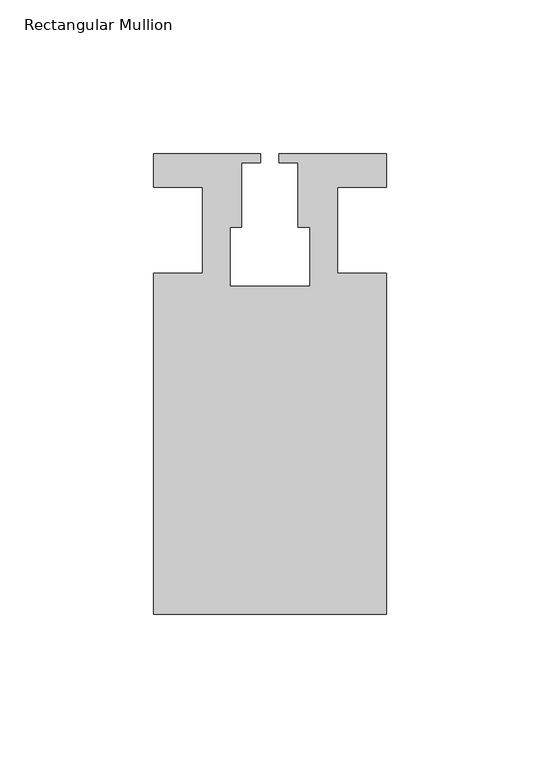
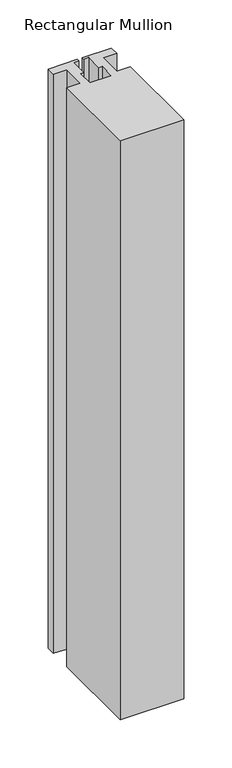
"""IFC4 building model written with IfcOpenShell, lengths in millimetres: member geometry, Rectangular Mullion."""

from ifc_helpers import new_model, si_unit, frame, origin, place, context, project, spatial, polyline, outline, extrude, source, transform, mapped, element, save


def rectangular_mullion_db453c8f(model_context):
    return source(origin(), model_context, "Body", "SweptSolid", [
        extrude(outline(polyline([(37.9999914, -124.9960123), (-37.9999896, -124.9960123), (-37.9999896, -13.9959029), (-21.9999633, -13.9959029), (-21.9999633, 14.0039877), (-37.9999896, 14.0039877), (-37.9999896, 25.0039877), (-2.9999896, 25.0039877), (-2.9999896, 22.0039877), (-9.1999633, 22.0039877), (-9.1999633, 1.0039877), (-12.9999633, 1.0039877), (-12.9999633, -18.1960075), (12.9999651, -18.1960075), (12.9999651, 1.0039877), (9.1999651, 1.0039877), (9.1999651, 22.0039877), (2.9999651, 22.0039877), (2.9999651, 25.0039877), (37.9999896, 25.0039877), (37.9999896, 14.0039877), (21.9999651, 14.0039877), (21.9999651, -13.9960123), (37.9999914, -13.9960123), (37.9999914, -124.9960123)])), frame((0.0, 0.0, -734.9850736), z_axis=(0.0, 0.0, 1.0), x_axis=(1.0, 0.0, 0.0)), (0.0, 0.0, 1.0), 734.9850736),
    ])


if __name__ == "__main__":
    model = new_model("IFC4")
    model_context = context("Model", 3, world=origin())
    ifc_project = project(units=[si_unit("LENGTHUNIT", "METRE", prefix="MILLI")], contexts=[model_context])
    site = spatial("IfcSite", under=ifc_project)
    building = spatial("IfcBuilding", under=site)
    placement = place(None, origin())
    rectangular_mullion_shape = rectangular_mullion_db453c8f(model_context)
    element("IfcMember", 1, ObjectType="Rectangular Mullion", at=placement, inside=building, context=model_context, shape_type="MappedRepresentation", body=[
        mapped(rectangular_mullion_shape, transform((0.0, 0.0, 0.0), x_axis=(1.0, 0.0, 0.0), y_axis=(0.0, 1.0, 0.0), z_axis=(0.0, 0.0, 1.0))),
    ])
    save(model, "model.ifc")
